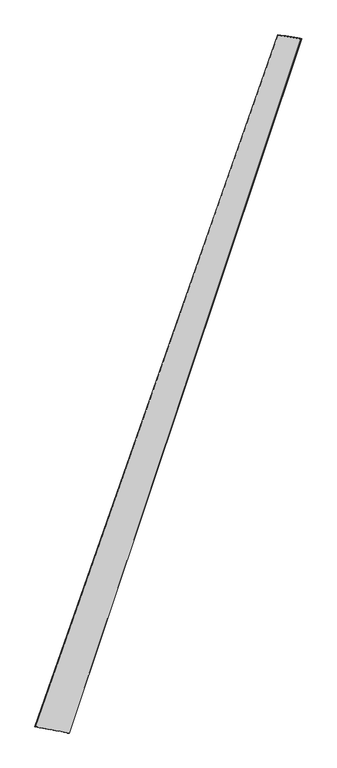
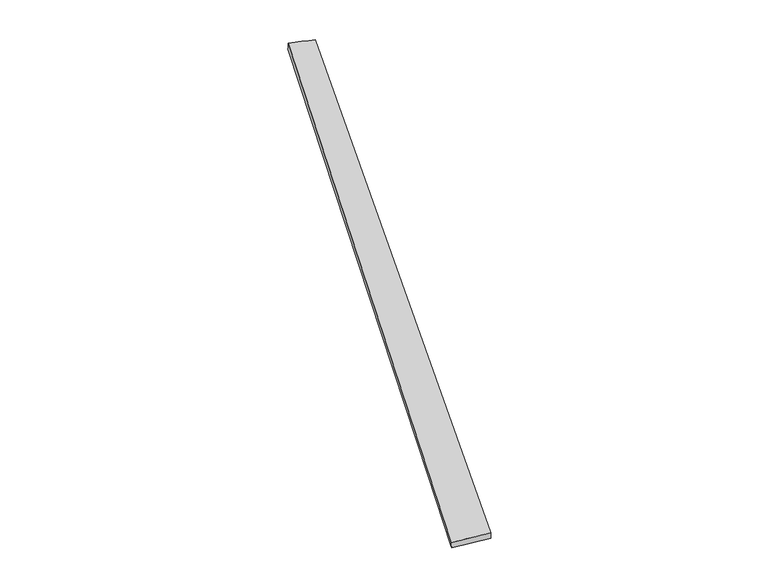
"""IFC4 building model written with IfcOpenShell, lengths in millimetres: proxy geometry."""

from ifc_helpers import new_model, si_unit, origin, place, context, project, spatial, source, transform, mapped, element, save
from ifc_brep_helpers import spline_surface, advanced_brep


def generic_models_a68e4fb6(model_context):
    return source(origin(), model_context, "Body", "AdvancedBrep", [
        advanced_brep(
        [(-679.9865132, -1722.6325, -4.6237467), (-681.4916948, -1722.194104, 25.3352626), (671.8107246, 2129.5863199, 36.8050201), (670.4107777, 2130.166173, 6.8433125), (-491.1677515, -1756.382141, 34.5922638), (804.1975368, 2107.872974, 22.7635834), (-489.9806648, -1756.8669183, 4.6196794), (799.5564003, 2109.3332453, -6.8392452)],
        [
            (0, 1),
            (1, 2),
            (2, 3),
            (3, 0),
            (1, 4),
            (4, 5),
            (5, 2),
            (4, 6),
            (6, 7),
            (7, 5),
            (6, 0),
            (3, 7),
        ],
        [
            spline_surface(1, 1, [[(-679.9865132, -1722.6325, -4.6237467), (670.4107777, 2130.166173, 6.8433125)], [(-681.4916948, -1722.194104, 25.3352626), (671.8107246, 2129.5863199, 36.8050201)]], [2, 2], [2, 2], [0.0, 1.0], [0.0, 1.0]),
            spline_surface(1, 1, [[(-681.4916948, -1722.194104, 25.3352626), (671.8107246, 2129.5863199, 36.8050201)], [(-491.1677515, -1756.382141, 34.5922638), (804.1975368, 2107.872974, 22.7635834)]], [2, 2], [2, 2], [0.0, 1.0], [0.0, 1.0]),
            spline_surface(1, 1, [[(-491.1677515, -1756.382141, 34.5922638), (804.1975368, 2107.872974, 22.7635834)], [(-489.9806648, -1756.8669183, 4.6196794), (799.5564003, 2109.3332453, -6.8392452)]], [2, 2], [2, 2], [0.0, 1.0], [0.0, 1.0]),
            spline_surface(1, 1, [[(-489.9806648, -1756.8669183, 4.6196794), (799.5564003, 2109.3332453, -6.8392452)], [(-679.9865132, -1722.6325, -4.6237467), (670.4107777, 2130.166173, 6.8433125)]], [2, 2], [2, 2], [0.0, 1.0], [0.0, 1.0]),
            spline_surface(1, 1, [[(671.8107246, 2129.5863199, 36.8050201), (670.4107777, 2130.166173, 6.8433125)], [(804.1975368, 2107.872974, 22.7635834), (799.5564003, 2109.3332453, -6.8392452)]], [2, 2], [2, 2], [0.0, 1.0], [0.0, 1.0]),
            spline_surface(1, 1, [[(-489.9806648, -1756.8669183, 4.6196794), (-679.9865132, -1722.6325, -4.6237467)], [(-491.1677515, -1756.382141, 34.5922638), (-681.4916948, -1722.194104, 25.3352626)]], [2, 2], [2, 2], [0.0, 1.0], [0.0, 1.0]),
        ],
        [
            (0, [[1, 2, 3, 4]]),
            (1, [[5, 6, 7, -2]]),
            (2, [[8, 9, 10, -6]]),
            (3, [[11, -4, 12, -9]]),
            (4, [[-3, -7, -10, -12]]),
            (5, [[-11, -8, -5, -1]]),
        ],
    ),
    ])


if __name__ == "__main__":
    model = new_model("IFC4")
    model_context = context("Model", 3, world=origin())
    ifc_project = project(units=[si_unit("LENGTHUNIT", "METRE", prefix="MILLI")], contexts=[model_context])
    site = spatial("IfcSite", under=ifc_project)
    building = spatial("IfcBuilding", under=site)
    placement = place(None, origin())
    generic_models_shape = generic_models_a68e4fb6(model_context)
    element("IfcBuildingElementProxy", 1, Name="Generic Models", at=placement, inside=building, context=model_context, shape_type="MappedRepresentation", body=[
        mapped(generic_models_shape, transform((0.0, 0.0, 0.0), x_axis=(1.0, 0.0, 0.0), y_axis=(0.0, 1.0, 0.0), z_axis=(0.0, 0.0, 1.0))),
    ])
    save(model, "model.ifc")
